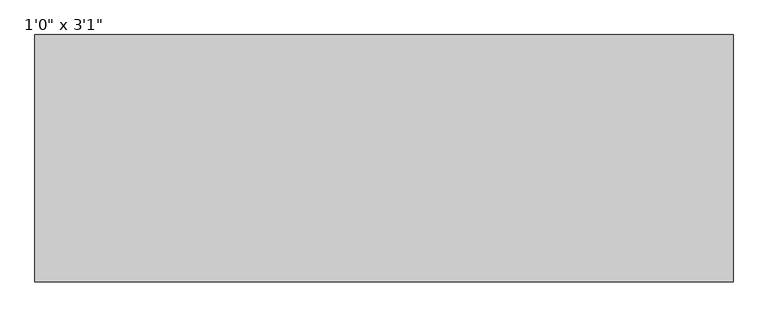
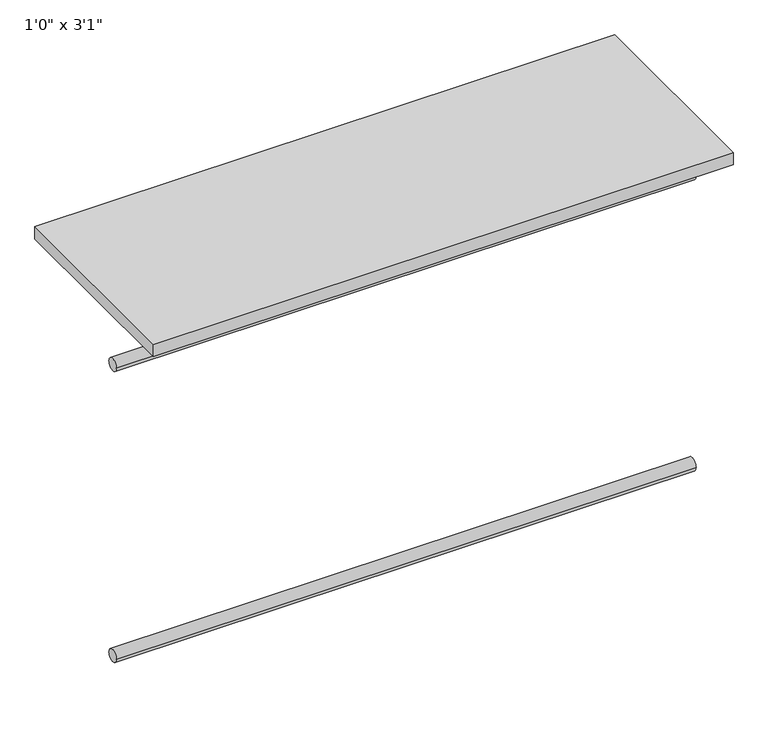
"""IFC4 building model written with IfcOpenShell, lengths in millimetres: furniture geometry."""

from ifc_helpers import new_model, si_unit, point, frame, frame_2d, origin, origin_with_axes, place, context, project, spatial, polyline, circle_curve, trimmed, segment, composite_curve, outline, extrude, source, transform, mapped, element, save


def furniture_4b2e30fd(model_context):
    return source(origin(), model_context, "Body", "SweptSolid", [
        extrude(outline(composite_curve([segment(trimmed(circle_curve(frame_2d((342.9, -711.2)), 12.7), [point((330.2, -711.2))], [point((355.6, -711.2))], False, "CARTESIAN"), True, "CONTINUOUS"), segment(trimmed(circle_curve(frame_2d((342.9, -711.2)), 12.7), [point((355.6, -711.2))], [point((330.2, -711.2))], False, "CARTESIAN"), True, "CONTINUOUS")], self_intersect=False)), frame((-555.1290671, 0.0, 0.0), z_axis=(1.0, 0.0, 0.0), x_axis=(0.0, 1.0, 0.0)), (0.0, 0.0, 1.0), 1147.7335441),
        extrude(outline(composite_curve([segment(trimmed(circle_curve(frame_2d((342.9, -101.6)), 12.7), [point((330.2, -101.6))], [point((355.6, -101.6))], False, "CARTESIAN"), True, "CONTINUOUS"), segment(trimmed(circle_curve(frame_2d((342.9, -101.6)), 12.7), [point((355.6, -101.6))], [point((330.2, -101.6))], False, "CARTESIAN"), True, "CONTINUOUS")], self_intersect=False)), frame((-555.1290671, 0.0, 0.0), z_axis=(1.0, 0.0, 0.0), x_axis=(0.0, 1.0, 0.0)), (0.0, 0.0, 1.0), 1147.7335441),
        extrude(outline(polyline([(592.604477, 203.2), (-555.1290671, 203.2), (-555.1290671, 609.6), (592.604477, 609.6), (592.604477, 203.2)])), origin_with_axes(), (0.0, 0.0, 1.0), 25.4),
    ])


if __name__ == "__main__":
    model = new_model("IFC4")
    model_context = context("Model", 3, world=origin())
    ifc_project = project(units=[si_unit("LENGTHUNIT", "METRE", prefix="MILLI")], contexts=[model_context])
    site = spatial("IfcSite", under=ifc_project)
    building = spatial("IfcBuilding", under=site)
    placement = place(None, origin())
    furniture_shape = furniture_4b2e30fd(model_context)
    element("IfcFurniture", 1, ObjectType="1'0\" x 3'1\"", at=placement, inside=building, context=model_context, shape_type="MappedRepresentation", body=[
        mapped(furniture_shape, transform((0.0, 0.0, 0.0), x_axis=(1.0, 0.0, 0.0), y_axis=(0.0, 1.0, 0.0), z_axis=(0.0, 0.0, 1.0))),
    ])
    save(model, "model.ifc")
